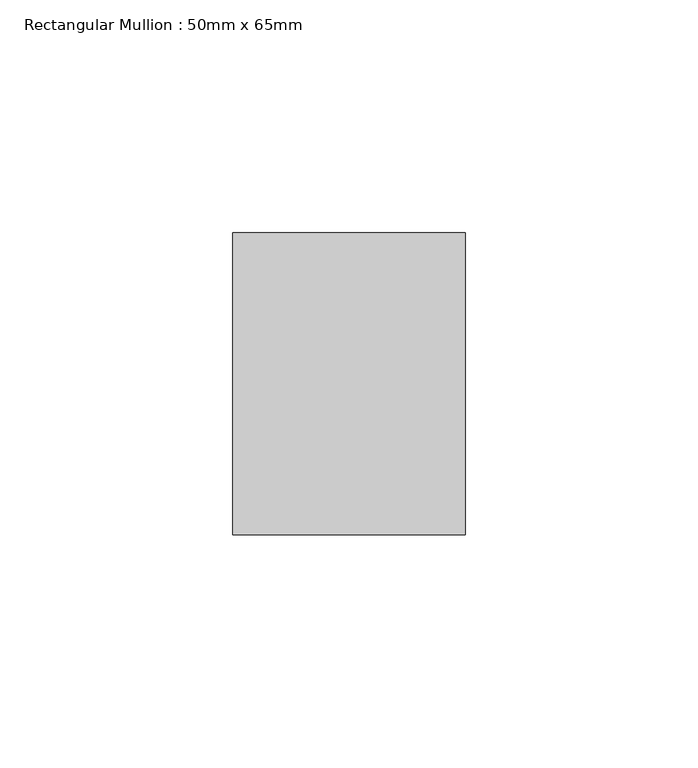
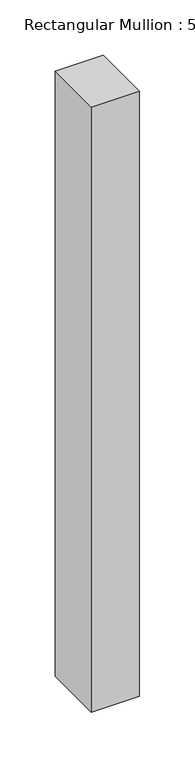
"""IFC4 building model written with IfcOpenShell, lengths in millimetres: member geometry, Rectangular Mullion : 50mm x 65mm."""

import ifcopenshell
import ifcopenshell.guid

model = None  # the IFC model being written
_history = None  # IfcOwnerHistory: only IFC2X3 demands one
_inside = {}  # id of a spatial element -> (the spatial element, [elements in it])
_under = {}  # id of a project, library or spatial element -> (it, [spatial elements below it])
_declared = {}  # id of a project -> (the project, [libraries it declares])
_typed = {}  # id of a type object -> (the type object, [elements of that type])
_made_of = {}  # id of a material, layer set ... -> (it, [elements and type objects made of it])


def new_model(schema):
    """Start an empty IFC model of exactly this schema.

    Asked for "IFC4X3", IfcOpenShell would pick the latest addendum, in which some entities
    have other attributes; the version numbers below select the first issue.
    IFC2X3 requires an IfcOwnerHistory on every rooted entity: one is made here for all.
    """
    global model, _history
    if schema == "IFC4X3":
        model = ifcopenshell.file(schema_version=(4, 3, 0, 0))
    else:
        model = ifcopenshell.file(schema=schema)
    _inside.clear()
    _under.clear()
    _declared.clear()
    _typed.clear()
    _made_of.clear()
    _history = None
    if model.schema == "IFC2X3":
        org = make("IfcOrganization", Name="unknown")
        user = make(
            "IfcPersonAndOrganization",
            ThePerson=make("IfcPerson", FamilyName="unknown"),
            TheOrganization=org,
        )
        app = make(
            "IfcApplication",
            ApplicationDeveloper=org,
            Version="unknown",
            ApplicationFullName="unknown",
            ApplicationIdentifier="unknown",
        )
        _history = make(
            "IfcOwnerHistory",
            OwningUser=user,
            OwningApplication=app,
            ChangeAction="ADDED",
            CreationDate=0,
        )
    return model


def make(cls, **values):
    """One entity of the class cls with the attributes given. An attribute that is None is left unset."""
    return model.create_entity(
        cls, **{name: value for name, value in values.items() if value is not None}
    )


def rooted(cls, **values):
    """An entity with a GlobalId (a new one), such as an element, a storey or a relation."""
    return make(cls, GlobalId=ifcopenshell.guid.new(), OwnerHistory=_history, **values)


def si_unit(unit_type, name, prefix=None):
    """IfcSIUnit, for example si_unit("LENGTHUNIT", "METRE", prefix="MILLI")."""
    return make("IfcSIUnit", UnitType=unit_type, Prefix=prefix, Name=name)


def assignment(units):
    """IfcUnitAssignment: the units of a project."""
    return None if units is None else make("IfcUnitAssignment", Units=units)


def point(xyz):
    """IfcCartesianPoint."""
    return None if xyz is None else make("IfcCartesianPoint", Coordinates=xyz)


def direction(xyz):
    """IfcDirection."""
    return None if xyz is None else make("IfcDirection", DirectionRatios=xyz)


def frame(location, z_axis=None, x_axis=None):
    """IfcAxis2Placement3D, a coordinate frame: its origin and axes. An axis left out is left unset."""
    return make(
        "IfcAxis2Placement3D",
        Location=point(location),
        Axis=direction(z_axis),
        RefDirection=direction(x_axis),
    )


def origin():
    """The frame at (0, 0, 0) with its axes left unset."""
    return frame((0.0, 0.0, 0.0))


def place(relative_to, where):
    """IfcLocalPlacement: puts the frame where relative to a parent placement (None: the world)."""
    return make(
        "IfcLocalPlacement", PlacementRelTo=relative_to, RelativePlacement=where
    )


def context(
    kind, dimensions, precision=None, world=None, true_north=None, identifier=None
):
    """IfcGeometricRepresentationContext, for example the 3D "Model" context."""
    return make(
        "IfcGeometricRepresentationContext",
        ContextIdentifier=identifier,
        ContextType=kind,
        CoordinateSpaceDimension=dimensions,
        Precision=precision,
        WorldCoordinateSystem=world,
        TrueNorth=true_north,
    )


def project(units=None, contexts=None):
    """IfcProject with its units and contexts."""
    return rooted(
        "IfcProject",
        Name="project",
        RepresentationContexts=contexts,
        UnitsInContext=assignment(units),
    )


def spatial(cls, under=None, at=None, **own):
    """A site, building, storey or space (cls), placed at a placement, below another one or the project."""
    s = rooted(cls, ObjectPlacement=at, **own)
    if under is not None:
        _under.setdefault(under.id(), (under, []))[1].append(s)
    return s


def polyline(points):
    """IfcPolyline through the points."""
    return make("IfcPolyline", Points=[point(p) for p in points])


def outline(outer, holes=None, kind="AREA"):
    """IfcArbitraryClosedProfileDef: a profile drawn as a closed curve; with holes, ...WithVoids."""
    if holes is None:
        return make("IfcArbitraryClosedProfileDef", ProfileType=kind, OuterCurve=outer)
    return make(
        "IfcArbitraryProfileDefWithVoids",
        ProfileType=kind,
        OuterCurve=outer,
        InnerCurves=holes,
    )


def extrude(swept, where, along, depth):
    """IfcExtrudedAreaSolid: the profile swept, set in the frame where, extruded along a direction by depth."""
    return make(
        "IfcExtrudedAreaSolid",
        SweptArea=swept,
        Position=where,
        ExtrudedDirection=direction(along),
        Depth=depth,
    )


def shape(context_of_items, identifier, shape_type, items):
    """IfcShapeRepresentation: the items that make up one representation, for example the "Body"."""
    return make(
        "IfcShapeRepresentation",
        ContextOfItems=context_of_items,
        RepresentationIdentifier=identifier,
        RepresentationType=shape_type,
        Items=items,
    )


def source(mapping_origin, context_of_items, identifier, shape_type, items):
    """IfcRepresentationMap: a shape defined once, which mapped items show again and again."""
    return make(
        "IfcRepresentationMap",
        MappingOrigin=mapping_origin,
        MappedRepresentation=shape(context_of_items, identifier, shape_type, items),
    )


def transform(
    local_origin,
    x_axis=None,
    y_axis=None,
    z_axis=None,
    scale=None,
    scale2=None,
    scale3=None,
    uniform=True,
):
    """IfcCartesianTransformationOperator3D, or its non-uniform kind. x_axis, y_axis, z_axis: its Axis1, 2, 3."""
    if uniform:
        return make(
            "IfcCartesianTransformationOperator3D",
            Axis1=direction(x_axis),
            Axis2=direction(y_axis),
            LocalOrigin=point(local_origin),
            Scale=scale,
            Axis3=direction(z_axis),
        )
    return make(
        "IfcCartesianTransformationOperator3DnonUniform",
        Axis1=direction(x_axis),
        Axis2=direction(y_axis),
        LocalOrigin=point(local_origin),
        Scale=scale,
        Axis3=direction(z_axis),
        Scale2=scale2,
        Scale3=scale3,
    )


def mapped(mapping_source, mapping_target):
    """IfcMappedItem: shows the shape of a source again, moved by a transform."""
    return make(
        "IfcMappedItem", MappingSource=mapping_source, MappingTarget=mapping_target
    )


def made_of(thing, what):
    """Note that an element or type object is made of a material, layer set ...; save() writes the relation."""
    if what is not None:
        _made_of.setdefault(what.id(), (what, []))[1].append(thing)
    return thing


def element(
    cls,
    number,
    at=None,
    inside=None,
    cuts=None,
    type_object=None,
    material=None,
    context=None,
    identifier="Body",
    shape_type=None,
    held_by="IfcProductDefinitionShape",
    body=None,
    shapes=None,
    **own,
):
    """One element of the class cls, such as IfcWall. Its Tag is "e" and its number.

    at: its placement. inside: the storey or other place that contains it. cuts: it is an
    opening in that element (IfcRelVoidsElement). A single representation is given by context,
    identifier, shape_type and body (its items); several are given by shapes. held_by: the class
    of the entity that holds the representations. save() writes the other relations.
    """
    e = rooted(cls, Tag="e%d" % number, ObjectPlacement=at, **own)
    if body is not None:
        shapes = [shape(context, identifier, shape_type, body)]
    if shapes is not None:
        e.Representation = make(held_by, Representations=shapes)
    if inside is not None:
        _inside.setdefault(inside.id(), (inside, []))[1].append(e)
    if cuts is not None:
        rooted(
            "IfcRelVoidsElement", RelatingBuildingElement=cuts, RelatedOpeningElement=e
        )
    if type_object is not None:
        _typed.setdefault(type_object.id(), (type_object, []))[1].append(e)
    return made_of(e, material)


def aggregate(whole, parts):
    """IfcRelAggregates: a whole, such as a stair, and the parts it consists of."""
    return rooted("IfcRelAggregates", RelatingObject=whole, RelatedObjects=parts)


def save(model, path):
    """Write the relations noted so far, then the file.

    IfcRelAggregates (storeys below a building ...), IfcRelContainedInSpatialStructure (elements
    in a storey), IfcRelDefinesByType, IfcRelAssociatesMaterial and IfcRelDeclares: one each for
    every whole, place, type object, material and project.
    """
    for whole, parts in _under.values():
        aggregate(whole, parts)
    for where, things in _inside.values():
        rooted(
            "IfcRelContainedInSpatialStructure",
            RelatedElements=things,
            RelatingStructure=where,
        )
    for kind, things in _typed.values():
        rooted("IfcRelDefinesByType", RelatedObjects=things, RelatingType=kind)
    for what, things in _made_of.values():
        rooted("IfcRelAssociatesMaterial", RelatedObjects=things, RelatingMaterial=what)
    for by, libraries in _declared.values():
        rooted("IfcRelDeclares", RelatingContext=by, RelatedDefinitions=libraries)
    model.write(path)


def rectangular_mullion_50mm_x_65mm_702bb488(model_context):
    return source(origin(), model_context, "Body", "SweptSolid", [
        extrude(outline(polyline([(25.0, 32.5), (25.0, -32.5), (-25.0, -32.5), (-25.0, 32.5), (25.0, 32.5)])), frame((0.0, 0.0, -667.540377), z_axis=(0.0, 0.0, 1.0), x_axis=(1.0, 0.0, 0.0)), (0.0, 0.0, 1.0), 667.540377),
    ])


if __name__ == "__main__":
    model = new_model("IFC4")
    model_context = context("Model", 3, world=origin())
    ifc_project = project(units=[si_unit("LENGTHUNIT", "METRE", prefix="MILLI")], contexts=[model_context])
    site = spatial("IfcSite", under=ifc_project)
    building = spatial("IfcBuilding", under=site)
    placement = place(None, origin())
    rectangular_mullion_50mm_x_65mm_shape = rectangular_mullion_50mm_x_65mm_702bb488(model_context)
    element("IfcMember", 1, ObjectType="Rectangular Mullion : 50mm x 65mm", at=placement, inside=building, context=model_context, shape_type="MappedRepresentation", body=[
        mapped(rectangular_mullion_50mm_x_65mm_shape, transform((0.0, 0.0, 0.0), x_axis=(1.0, 0.0, 0.0), y_axis=(0.0, 1.0, 0.0), z_axis=(0.0, 0.0, 1.0))),
    ])
    save(model, "model.ifc")
